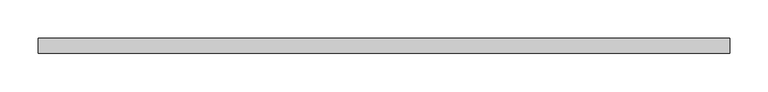
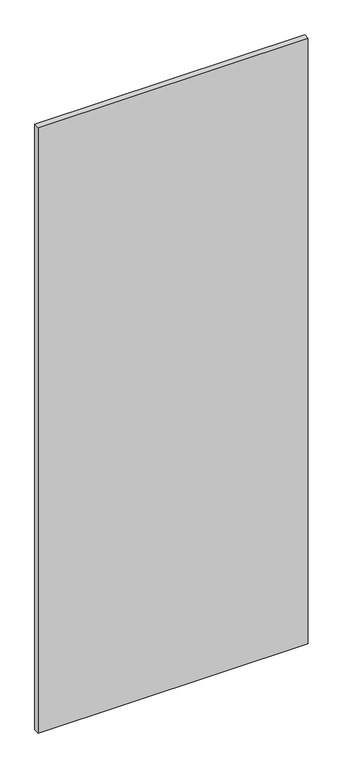
"""IFC4 building model written with IfcOpenShell, lengths in millimetres: proxy geometry."""

from ifc_helpers import new_model, si_unit, frame, origin, place, context, project, spatial, polyline, outline, extrude, source, transform, mapped, element, save


def specialty_equipment_50635a90(model_context):
    return source(origin(), model_context, "Body", "SweptSolid", [
        extrude(outline(polyline([(448.9704, 9.525), (448.9704, -9.525), (-448.9704, -9.525), (-448.9704, 9.525), (448.9704, 9.525)])), frame((0.0, 0.0, 3.175), z_axis=(0.0, 0.0, 1.0), x_axis=(1.0, 0.0, 0.0)), (0.0, 0.0, 1.0), 2127.25),
    ])


if __name__ == "__main__":
    model = new_model("IFC4")
    model_context = context("Model", 3, world=origin())
    ifc_project = project(units=[si_unit("LENGTHUNIT", "METRE", prefix="MILLI")], contexts=[model_context])
    site = spatial("IfcSite", under=ifc_project)
    building = spatial("IfcBuilding", under=site)
    placement = place(None, origin())
    specialty_equipment_shape = specialty_equipment_50635a90(model_context)
    element("IfcBuildingElementProxy", 1, Name="Specialty Equipment", at=placement, inside=building, context=model_context, shape_type="MappedRepresentation", body=[
        mapped(specialty_equipment_shape, transform((0.0, 0.0, 0.0), x_axis=(1.0, 0.0, 0.0), y_axis=(0.0, 1.0, 0.0), z_axis=(0.0, 0.0, 1.0))),
    ])
    save(model, "model.ifc")
